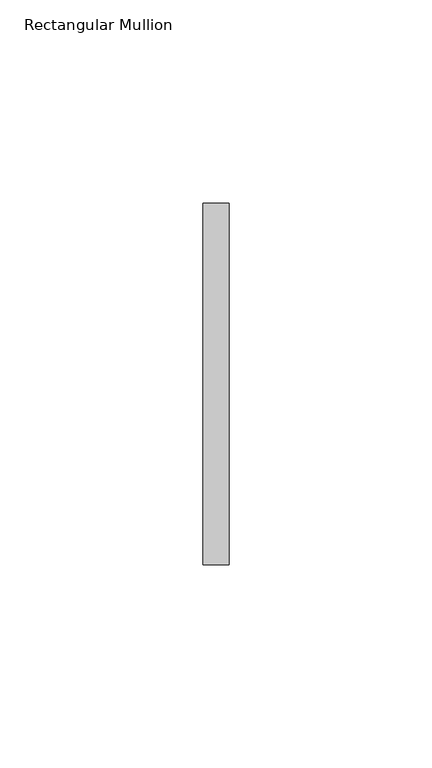
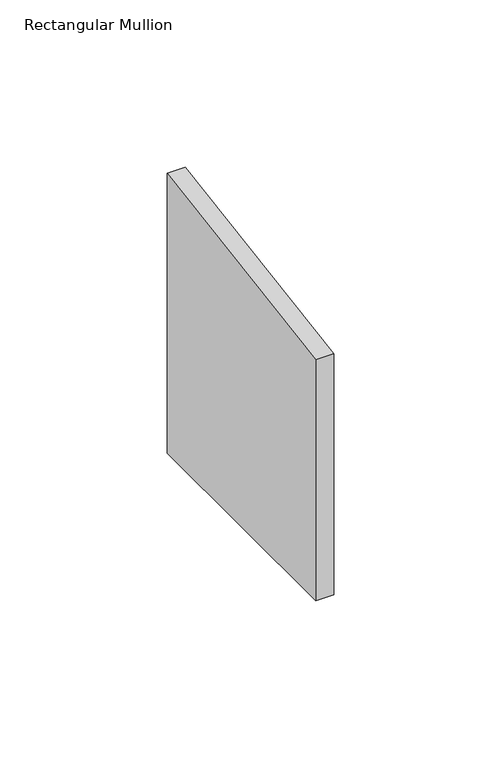
"""IFC4 building model written with IfcOpenShell, lengths in millimetres: member geometry, Rectangular Mullion."""

from ifc_helpers import new_model, si_unit, frame, origin, place, context, project, spatial, polyline, outline, extrude, source, transform, mapped, element, save


def rectangular_mullion_5dc76fb4(model_context):
    return source(origin(), model_context, "Body", "SweptSolid", [
        extrude(outline(polyline([(-44.45, -7.1851565), (44.45, 7.1851565), (44.45, -95.2500003), (-44.45, -95.2500003), (-44.45, -7.1851565)])), frame((-6.35, 0.0, 0.0), z_axis=(1.0, 0.0, 0.0), x_axis=(0.0, 1.0, 0.0)), (0.0, 0.0, 1.0), 6.35),
    ])


if __name__ == "__main__":
    model = new_model("IFC4")
    model_context = context("Model", 3, world=origin())
    ifc_project = project(units=[si_unit("LENGTHUNIT", "METRE", prefix="MILLI")], contexts=[model_context])
    site = spatial("IfcSite", under=ifc_project)
    building = spatial("IfcBuilding", under=site)
    placement = place(None, origin())
    rectangular_mullion_shape = rectangular_mullion_5dc76fb4(model_context)
    element("IfcMember", 1, ObjectType="Rectangular Mullion", at=placement, inside=building, context=model_context, shape_type="MappedRepresentation", body=[
        mapped(rectangular_mullion_shape, transform((0.0, 0.0, 0.0), x_axis=(1.0, 0.0, 0.0), y_axis=(0.0, 1.0, 0.0), z_axis=(0.0, 0.0, 1.0))),
    ])
    save(model, "model.ifc")
